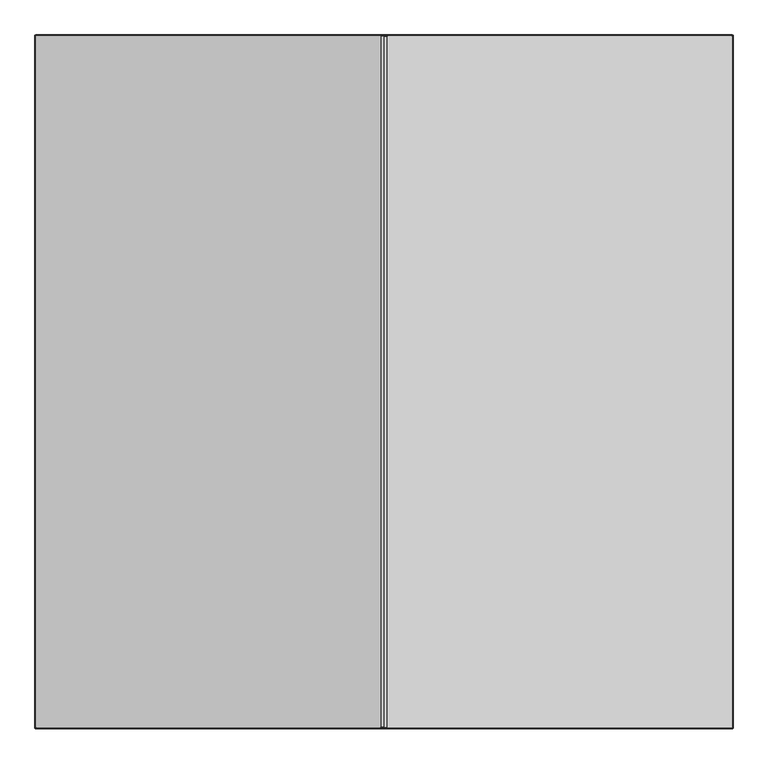
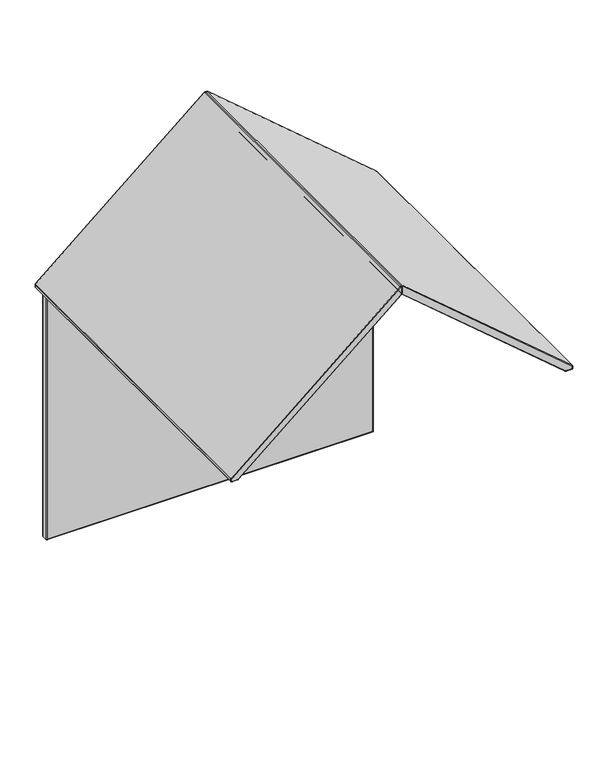
"""IFC4 building model written with IfcOpenShell, lengths in millimetres: furniture geometry."""

from ifc_helpers import new_model, si_unit, point, frame, origin, place, context, project, spatial, circle_curve, ellipse_curve, trimmed, source, transform, mapped, element, save
from ifc_brep_helpers import plane_surface, cylinder_surface, revolved_surface, advanced_brep


def furniture_6ab0fd73(model_context):
    return source(origin(), model_context, "Body", "AdvancedBrep", [
        advanced_brep(
        [(1876.9546715, -2.2152498, 1478.4500314), (1877.9745516, -2.2152498, 1476.2476814), (1877.9745516, -2.2152498, 1463.9687321), (1876.0316254, -2.2152498, 1462.0258058), (1842.2267924, -2.2152498, 1462.0258058), (1839.6136683, -2.2152498, 1462.9847503), (943.2808232, -2.2152498, 2223.2240894), (942.026163, -2.2152498, 2225.9334278), (942.026163, -2.2152498, 2264.8850275), (947.0138488, -2.2152498, 2267.1947612), (1880.0003754, -4.2410736, 1476.2476814), (1878.2650479, -4.2410736, 1479.994983), (1878.2650479, -6.1839998, 1479.994983), (1880.0003754, -6.1839998, 1476.2476814), (1880.0003754, -1866.18391, 1476.2476814), (1880.0003754, -1868.1268362, 1476.2476814), (1880.0003754, -1868.1268362, 1463.9687321), (1880.0003754, -1866.18391, 1463.9687321), (1880.0003754, -6.1839998, 1463.9687321), (1880.0003754, -4.2410736, 1463.9687321), (1876.0316254, -6.1839998, 1459.9999821), (1876.0316254, -4.2410736, 1459.9999821), (1876.0316254, -1866.18391, 1459.9999821), (1876.0316254, -1868.1268362, 1459.9999821), (1842.2267924, -1868.1268362, 1459.9999821), (1842.2267924, -1866.18391, 1459.9999821), (1842.2267924, -6.1839998, 1459.9999821), (1842.2267924, -4.2410736, 1459.9999821), (1838.3032921, -6.1839998, 1461.4397984), (1838.3032921, -4.2410736, 1461.4397984), (1838.3032921, -1866.18391, 1461.4397984), (1838.3032921, -1868.1268362, 1461.4397984), (941.970447, -1868.1268362, 2221.6791375), (941.970447, -1866.18391, 2221.6791375), (941.970447, -6.1839998, 2221.6791375), (941.970447, -4.2410736, 2221.6791375), (940.0003392, -6.1839998, 2225.9334278), (940.0003392, -4.2410736, 2225.9334278), (940.0003392, -1866.18391, 2225.9334278), (940.0003392, -1868.1268362, 2225.9334278), (940.0003392, -1868.1268362, 2264.8850275), (940.0003392, -1866.18391, 2264.8850275), (940.0003392, -6.1839998, 2264.8850275), (940.0003392, -4.2410736, 2264.8850275), (948.3242252, -6.1839998, 2268.7397128), (948.3242252, -4.2410736, 2268.7397128), (948.3242252, -1866.18391, 2268.7397128), (948.3242252, -1868.1268362, 2268.7397128), (1878.2650479, -1868.1268362, 1479.994983), (1878.2650479, -1866.18391, 1479.994983), (1876.9546715, -1870.15266, 1478.4500314), (1877.9745516, -1870.15266, 1476.2476814), (1877.9745516, -1870.15266, 1463.9687321), (1876.0316254, -1870.15266, 1462.0258058), (1842.2267924, -1870.15266, 1462.0258058), (1839.6136683, -1870.15266, 1462.9847503), (943.2808232, -1870.15266, 2223.2240894), (942.026163, -1870.15266, 2225.9334278), (942.026163, -1870.15266, 2264.8850275), (947.0138488, -1870.15266, 2267.1947612)],
        [
            (0, 1, circle_curve(frame((1875.0867119, -2.2152498, 1476.2476814), z_axis=(0.0, 1.0, 0.0), x_axis=(0.6468363156287517, 0.0, 0.7626288617563736)), 2.8878397)),
            (1, 2),
            (2, 3, circle_curve(frame((1876.0316254, -2.2152498, 1463.9687321), z_axis=(0.0, 1.0, 0.0), x_axis=(1.0, 0.0, 0.0)), 1.9429262)),
            (3, 4),
            (4, 5, circle_curve(frame((1842.2267924, -2.2152498, 1466.0656603), z_axis=(0.0, 1.0, 0.0), x_axis=(0.0, 0.0, -1.0)), 4.0398545)),
            (5, 6),
            (6, 7, circle_curve(frame((945.5787928, -2.2152498, 2225.9334278), z_axis=(0.0, 1.0, 0.0), x_axis=(-0.6468362032030742, 0.0, -0.762628957112062)), 3.5526298)),
            (7, 8),
            (8, 9, circle_curve(frame((945.05481, -2.2152498, 2264.8850275), z_axis=(0.0, 1.0, 0.0), x_axis=(-1.0, 0.0, 0.0)), 3.028647)),
            (9, 0),
            (10, 11, circle_curve(frame((1875.0867119, -4.2410736, 1476.2476814), z_axis=(0.0, -1.0, 0.0), x_axis=(0.6468363156287517, 0.0, 0.7626288617563736)), 4.9136635)),
            (11, 12),
            (12, 13, circle_curve(frame((1875.0867119, -6.1839998, 1476.2476814), z_axis=(0.0, 1.0, 0.0), x_axis=(0.6468363156287517, 0.0, 0.7626288617563736)), 4.9136635)),
            (13, 10),
            (10, 1, circle_curve(frame((1877.9745516, -4.2410736, 1476.2476814), z_axis=(0.0, 0.0, 1.0), x_axis=(-1.0, 0.0, 0.0)), 2.0258238)),
            (0, 11, circle_curve(frame((1876.9546715, -4.2410736, 1478.4500314), z_axis=(0.7626288617563735, 0.0, -0.6468363156287518), x_axis=(-0.6468363156287518, 0.0, -0.7626288617563735)), 2.0258238)),
            (13, 14),
            (14, 15),
            (15, 16),
            (16, 17),
            (17, 18),
            (18, 19),
            (19, 10),
            (19, 2, circle_curve(frame((1877.9745516, -4.2410736, 1463.9687321), z_axis=(0.0, 0.0, 1.0), x_axis=(-1.0, 0.0, 0.0)), 2.0258238)),
            (18, 20, circle_curve(frame((1876.0316254, -6.1839998, 1463.9687321), z_axis=(0.0, 1.0, 0.0), x_axis=(1.0, 0.0, 0.0)), 3.96875)),
            (20, 21),
            (21, 19, circle_curve(frame((1876.0316254, -4.2410736, 1463.9687321), z_axis=(0.0, -1.0, 0.0), x_axis=(1.0, 0.0, 0.0)), 3.96875)),
            (21, 3, circle_curve(frame((1876.0316254, -4.2410736, 1462.0258058), z_axis=(1.0, 0.0, 0.0), x_axis=(0.0, 0.0, 1.0)), 2.0258238)),
            (20, 22),
            (22, 23),
            (23, 24),
            (24, 25),
            (25, 26),
            (26, 27),
            (27, 21),
            (27, 4, circle_curve(frame((1842.2267924, -4.2410736, 1462.0258058), z_axis=(1.0, 0.0, 0.0), x_axis=(0.0, 0.0, 1.0)), 2.0258238)),
            (26, 28, circle_curve(frame((1842.2267924, -6.1839998, 1466.0656603), z_axis=(0.0, 1.0, 0.0), x_axis=(0.0, 0.0, -1.0)), 6.0656783)),
            (28, 29),
            (29, 27, circle_curve(frame((1842.2267924, -4.2410736, 1466.0656603), z_axis=(0.0, -1.0, 0.0), x_axis=(0.0, 0.0, -1.0)), 6.0656783)),
            (29, 5, circle_curve(frame((1839.6136683, -4.2410736, 1462.9847503), z_axis=(0.7626289571120105, 0.0, -0.6468362032031348), x_axis=(0.6468362032031348, 0.0, 0.7626289571120105)), 2.0258238)),
            (28, 30),
            (30, 31),
            (31, 32),
            (32, 33),
            (33, 34),
            (34, 35),
            (35, 29),
            (35, 6, circle_curve(frame((943.2808232, -4.2410736, 2223.2240894), z_axis=(0.7626289571120237, 0.0, -0.6468362032031195), x_axis=(0.6468362032031195, 0.0, 0.7626289571120237)), 2.0258238)),
            (34, 36, circle_curve(frame((945.5787928, -6.1839998, 2225.9334278), z_axis=(0.0, 1.0, 0.0), x_axis=(-0.6468362032030742, 0.0, -0.762628957112062)), 5.5784536)),
            (36, 37),
            (37, 35, circle_curve(frame((945.5787928, -4.2410736, 2225.9334278), z_axis=(0.0, -1.0, 0.0), x_axis=(-0.6468362032030742, 0.0, -0.762628957112062)), 5.5784536)),
            (37, 7, circle_curve(frame((942.026163, -4.2410736, 2225.9334278), z_axis=(0.0, 0.0, -1.0), x_axis=(1.0, 0.0, 0.0)), 2.0258238)),
            (36, 38),
            (38, 39),
            (39, 40),
            (40, 41),
            (41, 42),
            (42, 43),
            (43, 37),
            (43, 8, circle_curve(frame((942.026163, -4.2410736, 2264.8850275), z_axis=(0.0, 0.0, -1.0), x_axis=(1.0, 0.0, 0.0)), 2.0258238)),
            (42, 44, circle_curve(frame((945.05481, -6.1839998, 2264.8850275), z_axis=(0.0, 1.0, 0.0), x_axis=(-1.0, 0.0, 0.0)), 5.0544708)),
            (44, 45),
            (45, 43, circle_curve(frame((945.05481, -4.2410736, 2264.8850275), z_axis=(0.0, -1.0, 0.0), x_axis=(-1.0, 0.0, 0.0)), 5.0544708)),
            (45, 9, circle_curve(frame((947.0138488, -4.2410736, 2267.1947612), z_axis=(-0.762628861756393, 0.0, 0.6468363156287287), x_axis=(-0.6468363156287287, 0.0, -0.762628861756393)), 2.0258238)),
            (11, 45),
            (44, 46),
            (46, 47),
            (47, 48),
            (48, 49),
            (49, 12),
            (17, 22, circle_curve(frame((1876.0316254, -1866.18391, 1463.9687321), z_axis=(0.0, 1.0, 0.0), x_axis=(-1.0, 0.0, 0.0)), 3.96875)),
            (25, 30, circle_curve(frame((1842.2267924, -1866.18391, 1466.0656603), z_axis=(0.0, 1.0, 0.0), x_axis=(-1.0, 0.0, 0.0)), 6.0656783)),
            (33, 38, circle_curve(frame((945.5787928, -1866.18391, 2225.9334278), z_axis=(0.0, 1.0, 0.0), x_axis=(-1.0, 0.0, 0.0)), 5.5784536)),
            (41, 46, circle_curve(frame((945.05481, -1866.18391, 2264.8850275), z_axis=(0.0, 1.0, 0.0), x_axis=(-1.0, 0.0, 0.0)), 5.0544708)),
            (49, 14, circle_curve(frame((1875.0867119, -1866.18391, 1476.2476814), z_axis=(0.0, 1.0, 0.0), x_axis=(-1.0, 0.0, 0.0)), 4.9136635)),
            (48, 15, circle_curve(frame((1875.0867119, -1868.1268362, 1476.2476814), z_axis=(0.0, 1.0, 0.0), x_axis=(0.6468363156287517, 0.0, 0.7626288617563736)), 4.9136635)),
            (48, 50, circle_curve(frame((1876.9546715, -1868.1268362, 1478.4500314), z_axis=(0.7626288617563735, 0.0, -0.6468363156287518), x_axis=(-0.6468363156287518, 0.0, -0.7626288617563735)), 2.0258238)),
            (50, 51, circle_curve(frame((1875.0867119, -1870.15266, 1476.2476814), z_axis=(0.0, 1.0, 0.0), x_axis=(0.6468363156287517, 0.0, 0.7626288617563736)), 2.8878397)),
            (51, 15, circle_curve(frame((1877.9745516, -1868.1268362, 1476.2476814), z_axis=(0.0, 0.0, 1.0), x_axis=(-1.0, 0.0, 0.0)), 2.0258238)),
            (51, 52),
            (52, 16, circle_curve(frame((1877.9745516, -1868.1268362, 1463.9687321), z_axis=(0.0, 0.0, 1.0), x_axis=(-1.0, 0.0, 0.0)), 2.0258238)),
            (16, 23, circle_curve(frame((1876.0316254, -1868.1268362, 1463.9687321), z_axis=(0.0, 1.0, 0.0), x_axis=(1.0, 0.0, 0.0)), 3.96875)),
            (52, 53, circle_curve(frame((1876.0316254, -1870.15266, 1463.9687321), z_axis=(0.0, 1.0, 0.0), x_axis=(1.0, 0.0, 0.0)), 1.9429262)),
            (53, 23, circle_curve(frame((1876.0316254, -1868.1268362, 1462.0258058), z_axis=(1.0, 0.0, 0.0), x_axis=(0.0, 0.0, 1.0)), 2.0258238)),
            (53, 54),
            (54, 24, circle_curve(frame((1842.2267924, -1868.1268362, 1462.0258058), z_axis=(1.0, 0.0, 0.0), x_axis=(0.0, 0.0, 1.0)), 2.0258238)),
            (24, 31, circle_curve(frame((1842.2267924, -1868.1268362, 1466.0656603), z_axis=(0.0, 1.0, 0.0), x_axis=(0.0, 0.0, -1.0)), 6.0656783)),
            (54, 55, circle_curve(frame((1842.2267924, -1870.15266, 1466.0656603), z_axis=(0.0, 1.0, 0.0), x_axis=(0.0, 0.0, -1.0)), 4.0398545)),
            (55, 31, circle_curve(frame((1839.6136683, -1868.1268362, 1462.9847503), z_axis=(0.7626289571119792, 0.0, -0.6468362032031717), x_axis=(0.6468362032031717, 0.0, 0.7626289571119792)), 2.0258238)),
            (55, 56),
            (56, 32, circle_curve(frame((943.2808232, -1868.1268362, 2223.2240894), z_axis=(0.7626289571120237, 0.0, -0.6468362032031195), x_axis=(0.6468362032031195, 0.0, 0.7626289571120237)), 2.0258238)),
            (32, 39, circle_curve(frame((945.5787928, -1868.1268362, 2225.9334278), z_axis=(0.0, 1.0, 0.0), x_axis=(-0.6468362032030742, 0.0, -0.762628957112062)), 5.5784536)),
            (56, 57, circle_curve(frame((945.5787928, -1870.15266, 2225.9334278), z_axis=(0.0, 1.0, 0.0), x_axis=(-0.6468362032030742, 0.0, -0.762628957112062)), 3.5526298)),
            (57, 39, circle_curve(frame((942.026163, -1868.1268362, 2225.9334278), z_axis=(0.0, 0.0, -1.0), x_axis=(1.0, 0.0, 0.0)), 2.0258238)),
            (57, 58),
            (58, 40, circle_curve(frame((942.026163, -1868.1268362, 2264.8850275), z_axis=(0.0, 0.0, -1.0), x_axis=(1.0, 0.0, 0.0)), 2.0258238)),
            (40, 47, circle_curve(frame((945.05481, -1868.1268362, 2264.8850275), z_axis=(0.0, 1.0, 0.0), x_axis=(-1.0, 0.0, 0.0)), 5.0544708)),
            (58, 59, circle_curve(frame((945.05481, -1870.15266, 2264.8850275), z_axis=(0.0, 1.0, 0.0), x_axis=(-1.0, 0.0, 0.0)), 3.028647)),
            (59, 47, circle_curve(frame((947.0138488, -1868.1268362, 2267.1947612), z_axis=(-0.762628861756381, 0.0, 0.6468363156287429), x_axis=(-0.6468363156287429, 0.0, -0.762628861756381)), 2.0258238)),
            (59, 50),
        ],
        [
            plane_surface(frame((944.152703, -2.2152498, 2224.2520479), z_axis=(0.0, 1.0, 0.0), x_axis=(-0.7626289571120299, 0.0, 0.6468362032031121))),
            cylinder_surface(frame((1875.0867119, -6.1839998, 1476.2476814), z_axis=(0.0, 1.0, 0.0), x_axis=(0.6468363156287517, 0.0, 0.7626288617563736)), 4.9136635),
            revolved_surface(trimmed(ellipse_curve(frame((1876.9546715, -4.2410736, 1478.4500314), z_axis=(-0.7626288617563735, 0.0, 0.6468363156287518), x_axis=(-0.6468363156287518, 0.0, -0.7626288617563735)), 2.0258238, 2.0258238), [point((1878.2650479, -4.2410736, 1479.994983))], [point((1876.9546715, -2.2152498, 1478.4500314))], True, "CARTESIAN"), (1875.0867119, -6.1839998, 1476.2476814), (0.0, 1.0, 0.0)),
            plane_surface(frame((1880.0003754, -6.1839998, 1476.2476814), z_axis=(1.0, 0.0, 0.0), x_axis=(0.0, 0.0, -1.0))),
            cylinder_surface(frame((1877.9745516, -4.2410736, 1476.2476814), z_axis=(0.0, 0.0, 1.0), x_axis=(-1.0, 0.0, 0.0)), 2.0258238),
            cylinder_surface(frame((1876.0316254, -6.1839998, 1463.9687321), z_axis=(0.0, 1.0, 0.0), x_axis=(1.0, 0.0, 0.0)), 3.96875),
            revolved_surface(trimmed(ellipse_curve(frame((1877.9745516, -4.2410736, 1463.9687321), z_axis=(0.0, 0.0, 1.0), x_axis=(-1.0, 0.0, 0.0)), 2.0258238, 2.0258238), [point((1880.0003754, -4.2410736, 1463.9687321))], [point((1877.9745516, -2.2152498, 1463.9687321))], True, "CARTESIAN"), (1876.0316254, -6.1839998, 1463.9687321), (0.0, 1.0, 0.0)),
            plane_surface(frame((1876.0316254, -6.1839998, 1459.9999821), z_axis=(0.0, 0.0, -1.0), x_axis=(-1.0, 0.0, 0.0))),
            cylinder_surface(frame((1876.0316254, -4.2410736, 1462.0258058), z_axis=(1.0, 0.0, 0.0), x_axis=(0.0, 0.0, 1.0)), 2.0258238),
            cylinder_surface(frame((1842.2267924, -6.1839998, 1466.0656603), z_axis=(0.0, 1.0, 0.0), x_axis=(0.0, 0.0, -1.0)), 6.0656783),
            revolved_surface(trimmed(ellipse_curve(frame((1842.2267924, -4.2410736, 1462.0258058), z_axis=(1.0, 0.0, 0.0), x_axis=(0.0, 0.0, 1.0)), 2.0258238, 2.0258238), [point((1842.2267924, -4.2410736, 1459.9999821))], [point((1842.2267924, -2.2152498, 1462.0258058))], True, "CARTESIAN"), (1842.2267924, -6.1839998, 1466.0656603), (0.0, 1.0, 0.0)),
            plane_surface(frame((1838.3032921, -6.1839998, 1461.4397984), z_axis=(-0.6468362032031193, 0.0, -0.7626289571120237), x_axis=(-0.7626289571120237, 0.0, 0.6468362032031193))),
            cylinder_surface(frame((1839.6136683, -4.2410736, 1462.9847503), z_axis=(0.7626289571120237, 0.0, -0.6468362032031195), x_axis=(0.6468362032031195, 0.0, 0.7626289571120237)), 2.0258238),
            cylinder_surface(frame((945.5787928, -6.1839998, 2225.9334278), z_axis=(0.0, 1.0, 0.0), x_axis=(-0.6468362032030742, 0.0, -0.762628957112062)), 5.5784536),
            revolved_surface(trimmed(ellipse_curve(frame((943.2808232, -4.2410736, 2223.2240894), z_axis=(0.7626289571120619, 0.0, -0.6468362032030743), x_axis=(0.6468362032030743, 0.0, 0.7626289571120619)), 2.0258238, 2.0258238), [point((941.970447, -4.2410736, 2221.6791375))], [point((943.2808232, -2.2152498, 2223.2240894))], True, "CARTESIAN"), (945.5787928, -6.1839998, 2225.9334278), (0.0, 1.0, 0.0)),
            plane_surface(frame((940.0003392, -6.1839998, 2225.9334278), z_axis=(-1.0, 0.0, 0.0), x_axis=(0.0, 0.0, 1.0))),
            cylinder_surface(frame((942.026163, -4.2410736, 2225.9334278), z_axis=(0.0, 0.0, -1.0), x_axis=(1.0, 0.0, 0.0)), 2.0258238),
            cylinder_surface(frame((945.05481, -6.1839998, 2264.8850275), z_axis=(0.0, 1.0, 0.0), x_axis=(-1.0, 0.0, 0.0)), 5.0544708),
            revolved_surface(trimmed(ellipse_curve(frame((942.026163, -4.2410736, 2264.8850275), z_axis=(0.0, 0.0, -1.0), x_axis=(1.0, 0.0, 0.0)), 2.0258238, 2.0258238), [point((940.0003392, -4.2410736, 2264.8850275))], [point((942.026163, -2.2152498, 2264.8850275))], True, "CARTESIAN"), (945.05481, -6.1839998, 2264.8850275), (0.0, 1.0, 0.0)),
            plane_surface(frame((948.3242252, -6.1839998, 2268.7397128), z_axis=(0.6468363156287368, 0.0, 0.7626288617563862), x_axis=(0.7626288617563862, 0.0, -0.6468363156287368))),
            cylinder_surface(frame((947.0138488, -4.2410736, 2267.1947612), z_axis=(-0.762628861756386, 0.0, 0.646836315628737), x_axis=(-0.646836315628737, 0.0, -0.762628861756386)), 2.0258238),
            cylinder_surface(frame((1876.0316254, -6.1839998, 1463.9687321), z_axis=(0.0, -1.0, 0.0), x_axis=(-1.0, 0.0, 0.0)), 3.96875),
            cylinder_surface(frame((1842.2267924, -6.1839998, 1466.0656603), z_axis=(0.0, -1.0, 0.0), x_axis=(-1.0, 0.0, 0.0)), 6.0656783),
            cylinder_surface(frame((945.5787928, -6.1839998, 2225.9334278), z_axis=(0.0, -1.0, 0.0), x_axis=(-1.0, 0.0, 0.0)), 5.5784536),
            cylinder_surface(frame((945.05481, -6.1839998, 2264.8850275), z_axis=(0.0, -1.0, 0.0), x_axis=(-1.0, 0.0, 0.0)), 5.0544708),
            cylinder_surface(frame((1875.0867119, -6.1839998, 1476.2476814), z_axis=(0.0, -1.0, 0.0), x_axis=(-1.0, 0.0, 0.0)), 4.9136635),
            cylinder_surface(frame((1875.0867119, -1866.18391, 1476.2476814), z_axis=(0.0, 1.0, 0.0), x_axis=(0.6468363156287517, 0.0, 0.7626288617563736)), 4.9136635),
            revolved_surface(trimmed(ellipse_curve(frame((1876.9546715, -1868.1268362, 1478.4500314), z_axis=(-0.7626288617563735, 0.0, 0.6468363156287518), x_axis=(-0.6468363156287518, 0.0, -0.7626288617563735)), 2.0258238, 2.0258238), [point((1876.9546715, -1870.15266, 1478.4500314))], [point((1878.2650479, -1868.1268362, 1479.994983))], True, "CARTESIAN"), (1875.0867119, -1866.18391, 1476.2476814), (0.0, 1.0, 0.0)),
            cylinder_surface(frame((1877.9745516, -1868.1268362, 1476.2476814), z_axis=(0.0, 0.0, 1.0), x_axis=(-1.0, 0.0, 0.0)), 2.0258238),
            cylinder_surface(frame((1876.0316254, -1866.18391, 1463.9687321), z_axis=(0.0, 1.0, 0.0), x_axis=(1.0, 0.0, 0.0)), 3.96875),
            revolved_surface(trimmed(ellipse_curve(frame((1877.9745516, -1868.1268362, 1463.9687321), z_axis=(0.0, 0.0, 1.0), x_axis=(-1.0, 0.0, 0.0)), 2.0258238, 2.0258238), [point((1877.9745516, -1870.15266, 1463.9687321))], [point((1880.0003754, -1868.1268362, 1463.9687321))], True, "CARTESIAN"), (1876.0316254, -1866.18391, 1463.9687321), (0.0, 1.0, 0.0)),
            cylinder_surface(frame((1876.0316254, -1868.1268362, 1462.0258058), z_axis=(1.0, 0.0, 0.0), x_axis=(0.0, 0.0, 1.0)), 2.0258238),
            cylinder_surface(frame((1842.2267924, -1866.18391, 1466.0656603), z_axis=(0.0, 1.0, 0.0), x_axis=(0.0, 0.0, -1.0)), 6.0656783),
            revolved_surface(trimmed(ellipse_curve(frame((1842.2267924, -1868.1268362, 1462.0258058), z_axis=(1.0, 0.0, 0.0), x_axis=(0.0, 0.0, 1.0)), 2.0258238, 2.0258238), [point((1842.2267924, -1870.15266, 1462.0258058))], [point((1842.2267924, -1868.1268362, 1459.9999821))], True, "CARTESIAN"), (1842.2267924, -1866.18391, 1466.0656603), (0.0, 1.0, 0.0)),
            cylinder_surface(frame((1839.6136683, -1868.1268362, 1462.9847503), z_axis=(0.7626289571120237, 0.0, -0.6468362032031195), x_axis=(0.6468362032031195, 0.0, 0.7626289571120237)), 2.0258238),
            cylinder_surface(frame((945.5787928, -1866.18391, 2225.9334278), z_axis=(0.0, 1.0, 0.0), x_axis=(-0.6468362032030742, 0.0, -0.762628957112062)), 5.5784536),
            revolved_surface(trimmed(ellipse_curve(frame((943.2808232, -1868.1268362, 2223.2240894), z_axis=(0.7626289571120619, 0.0, -0.6468362032030743), x_axis=(0.6468362032030743, 0.0, 0.7626289571120619)), 2.0258238, 2.0258238), [point((943.2808232, -1870.15266, 2223.2240894))], [point((941.970447, -1868.1268362, 2221.6791375))], True, "CARTESIAN"), (945.5787928, -1866.18391, 2225.9334278), (0.0, 1.0, 0.0)),
            cylinder_surface(frame((942.026163, -1868.1268362, 2225.9334278), z_axis=(0.0, 0.0, -1.0), x_axis=(1.0, 0.0, 0.0)), 2.0258238),
            cylinder_surface(frame((945.05481, -1866.18391, 2264.8850275), z_axis=(0.0, 1.0, 0.0), x_axis=(-1.0, 0.0, 0.0)), 5.0544708),
            revolved_surface(trimmed(ellipse_curve(frame((942.026163, -1868.1268362, 2264.8850275), z_axis=(0.0, 0.0, -1.0), x_axis=(1.0, 0.0, 0.0)), 2.0258238, 2.0258238), [point((942.026163, -1870.15266, 2264.8850275))], [point((940.0003392, -1868.1268362, 2264.8850275))], True, "CARTESIAN"), (945.05481, -1866.18391, 2264.8850275), (0.0, 1.0, 0.0)),
            cylinder_surface(frame((947.0138488, -1868.1268362, 2267.1947612), z_axis=(-0.762628861756386, 0.0, 0.646836315628737), x_axis=(-0.646836315628737, 0.0, -0.762628861756386)), 2.0258238),
            plane_surface(frame((946.1419689, -1870.15266, 2266.1668028), z_axis=(0.0, -1.0, 0.0), x_axis=(0.7626288617563862, 0.0, -0.6468363156287368))),
        ],
        [
            (0, [[1, 2, 3, 4, 5, 6, 7, 8, 9, 10]]),
            (1, [[11, 12, 13, 14]]),
            (2, [[-11, 15, -1, 16]]),
            (3, [[-14, 17, 18, 19, 20, 21, 22, 23]]),
            (4, [[-15, -23, 24, -2]]),
            (5, [[-22, 25, 26, 27]]),
            (6, [[-24, -27, 28, -3]]),
            (7, [[-26, 29, 30, 31, 32, 33, 34, 35]]),
            (8, [[-28, -35, 36, -4]]),
            (9, [[-34, 37, 38, 39]]),
            (10, [[-36, -39, 40, -5]]),
            (11, [[-38, 41, 42, 43, 44, 45, 46, 47]]),
            (12, [[-40, -47, 48, -6]]),
            (13, [[-46, 49, 50, 51]]),
            (14, [[-48, -51, 52, -7]]),
            (15, [[-50, 53, 54, 55, 56, 57, 58, 59]]),
            (16, [[-52, -59, 60, -8]]),
            (17, [[-58, 61, 62, 63]]),
            (18, [[-60, -63, 64, -9]]),
            (19, [[-12, 65, -62, 66, 67, 68, 69, 70]]),
            (20, [[-16, -10, -64, -65]]),
            (21, [[-29, -25, -21, 71]]),
            (22, [[-33, 72, -41, -37]]),
            (23, [[-45, 73, -53, -49]]),
            (24, [[-57, 74, -66, -61]]),
            (25, [[-70, 75, -17, -13]]),
            (26, [[-69, 76, -18, -75]]),
            (27, [[-76, 77, 78, 79]]),
            (28, [[-79, 80, 81, -19]]),
            (29, [[-20, 82, -30, -71]]),
            (30, [[-81, 83, 84, -82]]),
            (31, [[-84, 85, 86, -31]]),
            (32, [[-32, 87, -42, -72]]),
            (33, [[-86, 88, 89, -87]]),
            (34, [[-89, 90, 91, -43]]),
            (35, [[-44, 92, -54, -73]]),
            (36, [[-91, 93, 94, -92]]),
            (37, [[-94, 95, 96, -55]]),
            (38, [[-56, 97, -67, -74]]),
            (39, [[-96, 98, 99, -97]]),
            (40, [[-77, -68, -99, 100]]),
            (41, [[-78, -100, -98, -95, -93, -90, -88, -85, -83, -80]]),
        ],
    ),
        advanced_brep(
        [(0.0, -1868.1268362, 1476.2476814), (1.7353275, -1868.1268362, 1479.994983), (1.7353275, -1866.18391, 1479.994983), (0.0, -1866.18391, 1476.2476814), (2.0258238, -1870.15266, 1476.2476814), (3.0457039, -1870.15266, 1478.4500314), (0.0, -6.1839998, 1476.2476814), (0.0, -4.2410736, 1476.2476814), (0.0, -4.2410736, 1463.9687321), (0.0, -6.1839998, 1463.9687321), (0.0, -1866.18391, 1463.9687321), (0.0, -1868.1268362, 1463.9687321), (2.0258238, -1870.15266, 1463.9687321), (3.96875, -1866.18391, 1459.9999821), (3.96875, -1868.1268362, 1459.9999821), (3.96875, -1870.15266, 1462.0258058), (3.96875, -6.1839998, 1459.9999821), (3.96875, -4.2410736, 1459.9999821), (37.773583, -4.2410736, 1459.9999821), (37.773583, -6.1839998, 1459.9999821), (37.773583, -1866.18391, 1459.9999821), (37.773583, -1868.1268362, 1459.9999821), (37.773583, -1870.15266, 1462.0258058), (41.6970833, -1866.18391, 1461.4397984), (41.6970833, -1868.1268362, 1461.4397984), (40.3867071, -1870.15266, 1462.9847503), (41.6970833, -6.1839998, 1461.4397984), (41.6970833, -4.2410736, 1461.4397984), (938.0299284, -4.2410736, 2221.6791375), (938.0299284, -6.1839998, 2221.6791375), (938.0299284, -1866.18391, 2221.6791375), (938.0299284, -1868.1268362, 2221.6791375), (936.7195522, -1870.15266, 2223.2240894), (940.0000362, -1866.18391, 2225.9334278), (940.0000362, -1868.1268362, 2225.9334278), (937.9742125, -1870.15266, 2225.9334278), (940.0000362, -6.1839998, 2225.9334278), (940.0000362, -4.2410736, 2225.9334278), (940.0000362, -4.2410736, 2264.8850275), (940.0000362, -6.1839998, 2264.8850275), (940.0000362, -1866.18391, 2264.8850275), (940.0000362, -1868.1268362, 2264.8850275), (937.9742125, -1870.15266, 2264.8850275), (931.6761502, -1866.18391, 2268.7397128), (931.6761502, -1868.1268362, 2268.7397128), (932.9865266, -1870.15266, 2267.1947612), (931.6761502, -6.1839998, 2268.7397128), (931.6761502, -4.2410736, 2268.7397128), (1.7353275, -4.2410736, 1479.994983), (1.7353275, -6.1839998, 1479.994983), (2.0258238, -2.2152498, 1476.2476814), (3.0457039, -2.2152498, 1478.4500314), (932.9865266, -2.2152498, 2267.1947612), (937.9742125, -2.2152498, 2264.8850275), (937.9742125, -2.2152498, 2225.9334278), (936.7195522, -2.2152498, 2223.2240894), (40.3867071, -2.2152498, 1462.9847503), (37.773583, -2.2152498, 1462.0258058), (3.96875, -2.2152498, 1462.0258058), (2.0258238, -2.2152498, 1463.9687321)],
        [
            (0, 1, circle_curve(frame((4.9136635, -1868.1268362, 1476.2476814), z_axis=(0.0, 1.0, 0.0), x_axis=(-0.6468363156287652, 0.0, 0.7626288617563621)), 4.9136635)),
            (1, 2),
            (2, 3, circle_curve(frame((4.9136635, -1866.18391, 1476.2476814), z_axis=(0.0, -1.0, 0.0), x_axis=(-0.6468363156287652, 0.0, 0.7626288617563621)), 4.9136635)),
            (3, 0),
            (0, 4, circle_curve(frame((2.0258238, -1868.1268362, 1476.2476814), z_axis=(0.0, 0.0, 1.0), x_axis=(1.0, 0.0, 0.0)), 2.0258238)),
            (4, 5, circle_curve(frame((4.9136635, -1870.15266, 1476.2476814), z_axis=(0.0, 1.0, 0.0), x_axis=(-0.6468363156287652, 0.0, 0.7626288617563621)), 2.8878397)),
            (5, 1, circle_curve(frame((3.0457039, -1868.1268362, 1478.4500314), z_axis=(-0.762628861756362, 0.0, -0.6468363156287653), x_axis=(0.6468363156287653, 0.0, -0.762628861756362)), 2.0258238)),
            (3, 6),
            (6, 7),
            (7, 8),
            (8, 9),
            (9, 10),
            (10, 11),
            (11, 0),
            (11, 12, circle_curve(frame((2.0258238, -1868.1268362, 1463.9687321), z_axis=(0.0, 0.0, 1.0), x_axis=(1.0, 0.0, 0.0)), 2.0258238)),
            (12, 4),
            (10, 13, circle_curve(frame((3.96875, -1866.18391, 1463.9687321), z_axis=(0.0, -1.0, 0.0), x_axis=(-1.0, 0.0, 0.0)), 3.96875)),
            (13, 14),
            (14, 11, circle_curve(frame((3.96875, -1868.1268362, 1463.9687321), z_axis=(0.0, 1.0, 0.0), x_axis=(-1.0, 0.0, 0.0)), 3.96875)),
            (14, 15, circle_curve(frame((3.96875, -1868.1268362, 1462.0258058), z_axis=(-1.0, 0.0, 0.0), x_axis=(0.0, 0.0, 1.0)), 2.0258238)),
            (15, 12, circle_curve(frame((3.96875, -1870.15266, 1463.9687321), z_axis=(0.0, 1.0, 0.0), x_axis=(-1.0, 0.0, 0.0)), 1.9429262)),
            (13, 16),
            (16, 17),
            (17, 18),
            (18, 19),
            (19, 20),
            (20, 21),
            (21, 14),
            (21, 22, circle_curve(frame((37.773583, -1868.1268362, 1462.0258058), z_axis=(-1.0, 0.0, 0.0), x_axis=(0.0, 0.0, 1.0)), 2.0258238)),
            (22, 15),
            (20, 23, circle_curve(frame((37.773583, -1866.18391, 1466.0656603), z_axis=(0.0, -1.0, 0.0), x_axis=(0.0, 0.0, -1.0)), 6.0656783)),
            (23, 24),
            (24, 21, circle_curve(frame((37.773583, -1868.1268362, 1466.0656603), z_axis=(0.0, 1.0, 0.0), x_axis=(0.0, 0.0, -1.0)), 6.0656783)),
            (24, 25, circle_curve(frame((40.3867071, -1868.1268362, 1462.9847503), z_axis=(-0.7626289571119993, 0.0, -0.646836203203148), x_axis=(-0.646836203203148, 0.0, 0.7626289571119993)), 2.0258238)),
            (25, 22, circle_curve(frame((37.773583, -1870.15266, 1466.0656603), z_axis=(0.0, 1.0, 0.0), x_axis=(0.0, 0.0, -1.0)), 4.0398545)),
            (23, 26),
            (26, 27),
            (27, 28),
            (28, 29),
            (29, 30),
            (30, 31),
            (31, 24),
            (31, 32, circle_curve(frame((936.7195522, -1868.1268362, 2223.2240894), z_axis=(-0.7626289571120237, 0.0, -0.6468362032031196), x_axis=(-0.6468362032031195, 0.0, 0.7626289571120235)), 2.0258238)),
            (32, 25),
            (30, 33, circle_curve(frame((934.4215826, -1866.18391, 2225.9334278), z_axis=(0.0, -1.0, 0.0), x_axis=(0.6468362032031121, 0.0, -0.7626289571120298)), 5.5784536)),
            (33, 34),
            (34, 31, circle_curve(frame((934.4215826, -1868.1268362, 2225.9334278), z_axis=(0.0, 1.0, 0.0), x_axis=(0.6468362032031121, 0.0, -0.7626289571120298)), 5.5784536)),
            (34, 35, circle_curve(frame((937.9742125, -1868.1268362, 2225.9334278), z_axis=(0.0, 0.0, -0.9999999999999999), x_axis=(-0.9999999999999999, 0.0, 0.0)), 2.0258238)),
            (35, 32, circle_curve(frame((934.4215826, -1870.15266, 2225.9334278), z_axis=(0.0, 1.0, 0.0), x_axis=(0.6468362032031121, 0.0, -0.7626289571120298)), 3.5526298)),
            (33, 36),
            (36, 37),
            (37, 38),
            (38, 39),
            (39, 40),
            (40, 41),
            (41, 34),
            (41, 42, circle_curve(frame((937.9742125, -1868.1268362, 2264.8850275), z_axis=(0.0, 0.0, -1.0), x_axis=(-1.0, 0.0, 0.0)), 2.0258238)),
            (42, 35),
            (40, 43, circle_curve(frame((934.9455655, -1866.18391, 2264.8850275), z_axis=(0.0, -1.0, 0.0), x_axis=(1.0, 0.0, 0.0)), 5.0544708)),
            (43, 44),
            (44, 41, circle_curve(frame((934.9455655, -1868.1268362, 2264.8850275), z_axis=(0.0, 1.0, 0.0), x_axis=(1.0, 0.0, 0.0)), 5.0544708)),
            (44, 45, circle_curve(frame((932.9865266, -1868.1268362, 2267.1947612), z_axis=(0.7626288617564152, 0.0, 0.6468363156287026), x_axis=(0.6468363156287026, 0.0, -0.7626288617564152)), 2.0258238)),
            (45, 42, circle_curve(frame((934.9455655, -1870.15266, 2264.8850275), z_axis=(0.0, 1.0, 0.0), x_axis=(1.0, 0.0, 0.0)), 3.028647)),
            (1, 44),
            (43, 46),
            (46, 47),
            (47, 48),
            (48, 49),
            (49, 2),
            (5, 45),
            (9, 16, circle_curve(frame((3.96875, -6.1839998, 1463.9687321), z_axis=(0.0, -1.0, 0.0), x_axis=(1.0, 0.0, 0.0)), 3.96875)),
            (19, 26, circle_curve(frame((37.773583, -6.1839998, 1466.0656603), z_axis=(0.0, -1.0, 0.0), x_axis=(1.0, 0.0, 0.0)), 6.0656783)),
            (29, 36, circle_curve(frame((934.4215826, -6.1839998, 2225.9334278), z_axis=(0.0, -1.0, 0.0), x_axis=(1.0, 0.0, 0.0)), 5.5784536)),
            (39, 46, circle_curve(frame((934.9455655, -6.1839998, 2264.8850275), z_axis=(0.0, -1.0, 0.0), x_axis=(1.0, 0.0, 0.0)), 5.0544708)),
            (49, 6, circle_curve(frame((4.9136635, -6.1839998, 1476.2476814), z_axis=(0.0, -1.0, 0.0), x_axis=(1.0, 0.0, 0.0)), 4.9136635)),
            (50, 51, circle_curve(frame((4.9136635, -2.2152498, 1476.2476814), z_axis=(0.0, 1.0, 0.0), x_axis=(-0.6468363156287614, 0.0, 0.7626288617563652)), 2.8878397)),
            (51, 52),
            (52, 53, circle_curve(frame((934.9455655, -2.2152498, 2264.8850275), z_axis=(0.0, 1.0, 0.0), x_axis=(1.0, 0.0, 0.0)), 3.028647)),
            (53, 54),
            (54, 55, circle_curve(frame((934.4215826, -2.2152498, 2225.9334278), z_axis=(0.0, 1.0, 0.0), x_axis=(0.6468362032031121, 0.0, -0.7626289571120298)), 3.5526298)),
            (55, 56),
            (56, 57, circle_curve(frame((37.773583, -2.2152498, 1466.0656603), z_axis=(0.0, 1.0, 0.0), x_axis=(0.0, 0.0, -1.0)), 4.0398545)),
            (57, 58),
            (58, 59, circle_curve(frame((3.96875, -2.2152498, 1463.9687321), z_axis=(0.0, 1.0, 0.0), x_axis=(-1.0, 0.0, 0.0)), 1.9429262)),
            (59, 50),
            (48, 7, circle_curve(frame((4.9136635, -4.2410736, 1476.2476814), z_axis=(0.0, -1.0, 0.0), x_axis=(-0.6468363156287614, 0.0, 0.7626288617563652)), 4.9136635)),
            (48, 51, circle_curve(frame((3.0457039, -4.2410736, 1478.4500314), z_axis=(-0.7626288617563652, 0.0, -0.6468363156287614), x_axis=(0.6468363156287614, 0.0, -0.7626288617563652)), 2.0258238)),
            (50, 7, circle_curve(frame((2.0258238, -4.2410736, 1476.2476814), z_axis=(0.0, 0.0, 1.0), x_axis=(1.0, 0.0, 0.0)), 2.0258238)),
            (59, 8, circle_curve(frame((2.0258238, -4.2410736, 1463.9687321), z_axis=(0.0, 0.0, 1.0), x_axis=(1.0, 0.0, 0.0)), 2.0258238)),
            (8, 17, circle_curve(frame((3.96875, -4.2410736, 1463.9687321), z_axis=(0.0, -1.0, 0.0), x_axis=(-1.0, 0.0, 0.0)), 3.96875)),
            (58, 17, circle_curve(frame((3.96875, -4.2410736, 1462.0258058), z_axis=(-1.0, 0.0, 0.0), x_axis=(0.0, 0.0, 1.0)), 2.0258238)),
            (57, 18, circle_curve(frame((37.773583, -4.2410736, 1462.0258058), z_axis=(-1.0, 0.0, 0.0), x_axis=(0.0, 0.0, 1.0)), 2.0258238)),
            (18, 27, circle_curve(frame((37.773583, -4.2410736, 1466.0656603), z_axis=(0.0, -1.0, 0.0), x_axis=(0.0, 0.0, -1.0)), 6.0656783)),
            (56, 27, circle_curve(frame((40.3867071, -4.2410736, 1462.9847503), z_axis=(-0.7626289571120222, 0.0, -0.6468362032031212), x_axis=(-0.6468362032031212, 0.0, 0.7626289571120222)), 2.0258238)),
            (55, 28, circle_curve(frame((936.7195522, -4.2410736, 2223.2240894), z_axis=(-0.7626289571120238, 0.0, -0.6468362032031193), x_axis=(-0.6468362032031193, 0.0, 0.7626289571120238)), 2.0258238)),
            (28, 37, circle_curve(frame((934.4215826, -4.2410736, 2225.9334278), z_axis=(0.0, -1.0, 0.0), x_axis=(0.6468362032031121, 0.0, -0.7626289571120298)), 5.5784536)),
            (54, 37, circle_curve(frame((937.9742125, -4.2410736, 2225.9334278), z_axis=(0.0, 0.0, -1.0), x_axis=(-1.0, 0.0, 0.0)), 2.0258238)),
            (53, 38, circle_curve(frame((937.9742125, -4.2410736, 2264.8850275), z_axis=(0.0, 0.0, -1.0), x_axis=(-1.0, 0.0, 0.0)), 2.0258238)),
            (38, 47, circle_curve(frame((934.9455655, -4.2410736, 2264.8850275), z_axis=(0.0, -1.0, 0.0), x_axis=(1.0, 0.0, 0.0)), 5.0544708)),
            (52, 47, circle_curve(frame((932.9865266, -4.2410736, 2267.1947612), z_axis=(0.7626288617564162, 0.0, 0.6468363156287013), x_axis=(0.6468363156287013, 0.0, -0.7626288617564162)), 2.0258238)),
        ],
        [
            cylinder_surface(frame((4.9136635, -1866.18391, 1476.2476814), z_axis=(0.0, -1.0, 0.0), x_axis=(-0.6468363156287652, 0.0, 0.7626288617563621)), 4.9136635),
            revolved_surface(trimmed(ellipse_curve(frame((3.0457039, -1868.1268362, 1478.4500314), z_axis=(0.762628861756362, 0.0, 0.6468363156287653), x_axis=(0.6468363156287653, 0.0, -0.762628861756362)), 2.0258238, 2.0258238), [point((1.7353275, -1868.1268362, 1479.994983))], [point((3.0457039, -1870.15266, 1478.4500314))], True, "CARTESIAN"), (4.9136635, -1866.18391, 1476.2476814), (0.0, -1.0, 0.0)),
            plane_surface(frame((0.0, -1866.18391, 1476.2476814), z_axis=(-1.0, 0.0, 0.0), x_axis=(0.0, 0.0, -1.0))),
            cylinder_surface(frame((2.0258238, -1868.1268362, 1476.2476814), z_axis=(0.0, 0.0, 1.0), x_axis=(1.0, 0.0, 0.0)), 2.0258238),
            cylinder_surface(frame((3.96875, -1866.18391, 1463.9687321), z_axis=(0.0, -1.0, 0.0), x_axis=(-1.0, 0.0, 0.0)), 3.96875),
            revolved_surface(trimmed(ellipse_curve(frame((2.0258238, -1868.1268362, 1463.9687321), z_axis=(0.0, 0.0, 1.0), x_axis=(1.0, 0.0, 0.0)), 2.0258238, 2.0258238), [point((0.0, -1868.1268362, 1463.9687321))], [point((2.0258238, -1870.15266, 1463.9687321))], True, "CARTESIAN"), (3.96875, -1866.18391, 1463.9687321), (0.0, -1.0, 0.0)),
            plane_surface(frame((3.96875, -1866.18391, 1459.9999821), z_axis=(0.0, 0.0, -1.0), x_axis=(1.0, 0.0, 0.0))),
            cylinder_surface(frame((3.96875, -1868.1268362, 1462.0258058), z_axis=(-1.0, 0.0, 0.0), x_axis=(0.0, 0.0, 1.0)), 2.0258238),
            cylinder_surface(frame((37.773583, -1866.18391, 1466.0656603), z_axis=(0.0, -1.0, 0.0), x_axis=(0.0, 0.0, -1.0)), 6.0656783),
            revolved_surface(trimmed(ellipse_curve(frame((37.773583, -1868.1268362, 1462.0258058), z_axis=(-1.0, 0.0, 0.0), x_axis=(0.0, 0.0, 1.0)), 2.0258238, 2.0258238), [point((37.773583, -1868.1268362, 1459.9999821))], [point((37.773583, -1870.15266, 1462.0258058))], True, "CARTESIAN"), (37.773583, -1866.18391, 1466.0656603), (0.0, -1.0, 0.0)),
            plane_surface(frame((41.6970833, -1866.18391, 1461.4397984), z_axis=(0.6468362032031193, 0.0, -0.7626289571120237), x_axis=(0.7626289571120237, 0.0, 0.6468362032031193))),
            cylinder_surface(frame((40.3867071, -1868.1268362, 1462.9847503), z_axis=(-0.7626289571120235, 0.0, -0.6468362032031195), x_axis=(-0.6468362032031195, 0.0, 0.7626289571120235)), 2.0258238),
            cylinder_surface(frame((934.4215826, -1866.18391, 2225.9334278), z_axis=(0.0, -1.0, 0.0), x_axis=(0.6468362032031121, 0.0, -0.7626289571120298)), 5.5784536),
            revolved_surface(trimmed(ellipse_curve(frame((936.7195522, -1868.1268362, 2223.2240894), z_axis=(-0.7626289571120297, 0.0, -0.6468362032031122), x_axis=(-0.6468362032031122, 0.0, 0.7626289571120297)), 2.0258238, 2.0258238), [point((938.0299284, -1868.1268362, 2221.6791375))], [point((936.7195522, -1870.15266, 2223.2240894))], True, "CARTESIAN"), (934.4215826, -1866.18391, 2225.9334278), (0.0, -1.0, 0.0)),
            plane_surface(frame((940.0000362, -1866.18391, 2225.9334278), z_axis=(1.0, 0.0, 0.0), x_axis=(0.0, 0.0, 1.0))),
            cylinder_surface(frame((937.9742125, -1868.1268362, 2225.9334278), z_axis=(0.0, 0.0, -1.0), x_axis=(-1.0, 0.0, 0.0)), 2.0258238),
            cylinder_surface(frame((934.9455655, -1866.18391, 2264.8850275), z_axis=(0.0, -1.0, 0.0), x_axis=(1.0, 0.0, 0.0)), 5.0544708),
            revolved_surface(trimmed(ellipse_curve(frame((937.9742125, -1868.1268362, 2264.8850275), z_axis=(0.0, 0.0, -1.0), x_axis=(-1.0, 0.0, 0.0)), 2.0258238, 2.0258238), [point((940.0000362, -1868.1268362, 2264.8850275))], [point((937.9742125, -1870.15266, 2264.8850275))], True, "CARTESIAN"), (934.9455655, -1866.18391, 2264.8850275), (0.0, -1.0, 0.0)),
            plane_surface(frame((931.6761502, -1866.18391, 2268.7397128), z_axis=(-0.6468363156287368, 0.0, 0.7626288617563862), x_axis=(-0.7626288617563862, 0.0, -0.6468363156287368))),
            cylinder_surface(frame((932.9865266, -1868.1268362, 2267.1947612), z_axis=(0.762628861756386, 0.0, 0.646836315628737), x_axis=(0.646836315628737, 0.0, -0.762628861756386)), 2.0258238),
            plane_surface(frame((932.9865266, -1870.15266, 2267.1947612), z_axis=(0.0, -1.0000000000000002, 0.0), x_axis=(-0.7626288617563861, 0.0, -0.646836315628737))),
            cylinder_surface(frame((3.96875, -6.1839998, 1463.9687321), z_axis=(0.0, -1.0, 0.0), x_axis=(1.0, 0.0, 0.0)), 3.96875),
            cylinder_surface(frame((37.773583, -6.1839998, 1466.0656603), z_axis=(0.0, -1.0, 0.0), x_axis=(1.0, 0.0, 0.0)), 6.0656783),
            cylinder_surface(frame((934.4215826, -6.1839998, 2225.9334278), z_axis=(0.0, -1.0, 0.0), x_axis=(1.0, 0.0, 0.0)), 5.5784536),
            cylinder_surface(frame((934.9455655, -6.1839998, 2264.8850275), z_axis=(0.0, -1.0, 0.0), x_axis=(1.0, 0.0, 0.0)), 5.0544708),
            cylinder_surface(frame((4.9136635, -6.1839998, 1476.2476814), z_axis=(0.0, -1.0, 0.0), x_axis=(1.0, 0.0, 0.0)), 4.9136635),
            plane_surface(frame((935.8476724, -2.2152498, 2224.2520479), z_axis=(0.0, 1.0, 0.0), x_axis=(-0.7626289571120236, 0.0, -0.6468362032031195))),
            cylinder_surface(frame((4.9136635, -6.1839998, 1476.2476814), z_axis=(0.0, -1.0, 0.0), x_axis=(-0.6468363156287614, 0.0, 0.7626288617563652)), 4.9136635),
            revolved_surface(trimmed(ellipse_curve(frame((3.0457039, -4.2410736, 1478.4500314), z_axis=(0.7626288617563652, 0.0, 0.6468363156287614), x_axis=(0.6468363156287614, 0.0, -0.7626288617563652)), 2.0258238, 2.0258238), [point((3.0457039, -2.2152498, 1478.4500314))], [point((1.7353275, -4.2410736, 1479.994983))], True, "CARTESIAN"), (4.9136635, -6.1839998, 1476.2476814), (0.0, -1.0, 0.0)),
            cylinder_surface(frame((2.0258238, -4.2410736, 1476.2476814), z_axis=(0.0, 0.0, 1.0), x_axis=(1.0, 0.0, 0.0)), 2.0258238),
            cylinder_surface(frame((3.96875, -6.1839998, 1463.9687321), z_axis=(0.0, -1.0, 0.0), x_axis=(-1.0, 0.0, 0.0)), 3.96875),
            revolved_surface(trimmed(ellipse_curve(frame((2.0258238, -4.2410736, 1463.9687321), z_axis=(0.0, 0.0, 1.0), x_axis=(1.0, 0.0, 0.0)), 2.0258238, 2.0258238), [point((2.0258238, -2.2152498, 1463.9687321))], [point((0.0, -4.2410736, 1463.9687321))], True, "CARTESIAN"), (3.96875, -6.1839998, 1463.9687321), (0.0, -1.0, 0.0)),
            cylinder_surface(frame((3.96875, -4.2410736, 1462.0258058), z_axis=(-1.0, 0.0, 0.0), x_axis=(0.0, 0.0, 1.0)), 2.0258238),
            cylinder_surface(frame((37.773583, -6.1839998, 1466.0656603), z_axis=(0.0, -1.0, 0.0), x_axis=(0.0, 0.0, -1.0)), 6.0656783),
            revolved_surface(trimmed(ellipse_curve(frame((37.773583, -4.2410736, 1462.0258058), z_axis=(-1.0, 0.0, 0.0), x_axis=(0.0, 0.0, 1.0)), 2.0258238, 2.0258238), [point((37.773583, -2.2152498, 1462.0258058))], [point((37.773583, -4.2410736, 1459.9999821))], True, "CARTESIAN"), (37.773583, -6.1839998, 1466.0656603), (0.0, -1.0, 0.0)),
            cylinder_surface(frame((40.3867071, -4.2410736, 1462.9847503), z_axis=(-0.7626289571120238, 0.0, -0.6468362032031193), x_axis=(-0.6468362032031193, 0.0, 0.7626289571120238)), 2.0258238),
            cylinder_surface(frame((934.4215826, -6.1839998, 2225.9334278), z_axis=(0.0, -1.0, 0.0), x_axis=(0.6468362032031121, 0.0, -0.7626289571120298)), 5.5784536),
            revolved_surface(trimmed(ellipse_curve(frame((936.7195522, -4.2410736, 2223.2240894), z_axis=(-0.7626289571120299, 0.0, -0.6468362032031119), x_axis=(-0.6468362032031119, 0.0, 0.7626289571120299)), 2.0258238, 2.0258238), [point((936.7195522, -2.2152498, 2223.2240894))], [point((938.0299284, -4.2410736, 2221.6791375))], True, "CARTESIAN"), (934.4215826, -6.1839998, 2225.9334278), (0.0, -1.0, 0.0)),
            cylinder_surface(frame((937.9742125, -4.2410736, 2225.9334278), z_axis=(0.0, 0.0, -1.0), x_axis=(-1.0, 0.0, 0.0)), 2.0258238),
            revolved_surface(trimmed(ellipse_curve(frame((937.9742125, -4.2410736, 2264.8850275), z_axis=(0.0, 0.0, -1.0), x_axis=(-1.0, 0.0, 0.0)), 2.0258238, 2.0258238), [point((937.9742125, -2.2152498, 2264.8850275))], [point((940.0000362, -4.2410736, 2264.8850275))], True, "CARTESIAN"), (934.9455655, -6.1839998, 2264.8850275), (0.0, -1.0, 0.0)),
            cylinder_surface(frame((932.9865266, -4.2410736, 2267.1947612), z_axis=(0.7626288617563863, 0.0, 0.6468363156287368), x_axis=(0.6468363156287368, 0.0, -0.7626288617563863)), 2.0258238),
        ],
        [
            (0, [[1, 2, 3, 4]]),
            (1, [[-1, 5, 6, 7]]),
            (2, [[-4, 8, 9, 10, 11, 12, 13, 14]]),
            (3, [[-5, -14, 15, 16]]),
            (4, [[-13, 17, 18, 19]]),
            (5, [[-15, -19, 20, 21]]),
            (6, [[-18, 22, 23, 24, 25, 26, 27, 28]]),
            (7, [[-20, -28, 29, 30]]),
            (8, [[-27, 31, 32, 33]]),
            (9, [[-29, -33, 34, 35]]),
            (10, [[-32, 36, 37, 38, 39, 40, 41, 42]]),
            (11, [[-34, -42, 43, 44]]),
            (12, [[-41, 45, 46, 47]]),
            (13, [[-43, -47, 48, 49]]),
            (14, [[-46, 50, 51, 52, 53, 54, 55, 56]]),
            (15, [[-48, -56, 57, 58]]),
            (16, [[-55, 59, 60, 61]]),
            (17, [[-57, -61, 62, 63]]),
            (18, [[-2, 64, -60, 65, 66, 67, 68, 69]]),
            (19, [[-7, 70, -62, -64]]),
            (20, [[-6, -16, -21, -30, -35, -44, -49, -58, -63, -70]]),
            (21, [[-12, 71, -22, -17]]),
            (22, [[-26, 72, -36, -31]]),
            (23, [[-40, 73, -50, -45]]),
            (24, [[-54, 74, -65, -59]]),
            (25, [[-69, 75, -8, -3]]),
            (26, [[76, 77, 78, 79, 80, 81, 82, 83, 84, 85]]),
            (27, [[-68, 86, -9, -75]]),
            (28, [[-86, 87, -76, 88]]),
            (29, [[-88, -85, 89, -10]]),
            (30, [[-11, 90, -23, -71]]),
            (31, [[-89, -84, 91, -90]]),
            (32, [[-91, -83, 92, -24]]),
            (33, [[-25, 93, -37, -72]]),
            (34, [[-92, -82, 94, -93]]),
            (35, [[-94, -81, 95, -38]]),
            (36, [[-39, 96, -51, -73]]),
            (37, [[-95, -80, 97, -96]]),
            (38, [[-97, -79, 98, -52]]),
            (24, [[-53, 99, -66, -74]]),
            (39, [[-98, -78, 100, -99]]),
            (40, [[-87, -67, -100, -77]]),
        ],
    ),
        advanced_brep(
        [(1729.6212947, -38.7095386, 1458.9687466), (1728.1650089, -42.6782886, 1454.9999966), (1835.0000576, -42.6782886, 1454.9999966), (1838.9688076, -38.7095386, 1458.9687466), (1838.9688076, -6.1657886, 1458.9687466), (1729.6212947, -6.1657886, 1458.9687466), (1835.0000576, -2.1970386, 1454.9999966), (1728.1650089, -2.1970386, 1454.9999966), (1835.0000576, -42.6782886, 5.0000003), (1838.9688076, -38.7095386, 1.0312503), (1838.9688076, -6.1657886, 1.0312503), (1835.0000576, -2.1970386, 5.0000003), (45.0000013, -42.6782886, 5.0000003), (41.0312513, -38.7095386, 1.0312503), (41.0312513, -6.1657886, 1.0312503), (45.0000013, -2.1970386, 5.0000003), (45.0000013, -42.6782886, 1454.9999966), (41.0312513, -38.7095386, 1458.9687466), (41.0312513, -6.1657886, 1458.9687466), (45.0000013, -2.1970386, 1454.9999966), (151.8349909, -42.6782886, 1454.9999966), (150.3787052, -38.7095386, 1458.9687466), (150.3787052, -6.1657886, 1458.9687466), (151.8349909, -2.1970386, 1454.9999966), (940.0000362, -42.6782886, 2123.4131218), (940.0000364, -38.7095386, 2128.616893), (940.0000364, -6.1657886, 2128.616893), (940.0000362, -2.1970386, 2123.4131218)],
        [
            (0, 1, ellipse_curve(frame((1728.1650089, -38.7095386, 1454.9999966), z_axis=(0.9387939160823763, 0.0, -0.34447929274009526), x_axis=(-0.3444792927400953, 0.0, -0.9387939160823763)), 4.2274986, 3.96875)),
            (1, 2),
            (2, 3, ellipse_curve(frame((1835.0000576, -38.7095386, 1454.9999966), z_axis=(-0.7071067811865469, 0.0, 0.707106781186548), x_axis=(-0.7071067811865481, 0.0, -0.7071067811865468)), 5.6126601, 3.96875)),
            (3, 0),
            (3, 4),
            (4, 5),
            (5, 0),
            (4, 6, ellipse_curve(frame((1835.0000576, -6.1657886, 1454.9999966), z_axis=(-0.7071067811865469, 0.0, 0.707106781186548), x_axis=(-0.7071067811865481, 0.0, -0.7071067811865468)), 5.6126601, 3.96875)),
            (6, 7),
            (7, 5, ellipse_curve(frame((1728.1650089, -6.1657886, 1454.9999966), z_axis=(0.9387939160823763, 0.0, -0.34447929274009526), x_axis=(-0.3444792927400953, 0.0, -0.9387939160823763)), 4.2274986, 3.96875)),
            (2, 8),
            (8, 9, ellipse_curve(frame((1835.0000576, -38.7095386, 5.0000003), z_axis=(0.7071067811865493, 0.0, 0.7071067811865457), x_axis=(-0.7071067811865457, 0.0, 0.7071067811865495)), 5.6126601, 3.96875)),
            (9, 3),
            (9, 10),
            (10, 4),
            (10, 11, ellipse_curve(frame((1835.0000576, -6.1657886, 5.0000003), z_axis=(0.7071067811865493, 0.0, 0.7071067811865457), x_axis=(-0.7071067811865457, 0.0, 0.7071067811865495)), 5.6126601, 3.96875)),
            (11, 6),
            (8, 12),
            (12, 13, ellipse_curve(frame((45.0000013, -38.7095386, 5.0000003), z_axis=(0.7071067811865456, 0.0, -0.7071067811865496), x_axis=(0.7071067811865495, 0.0, 0.7071067811865456)), 5.6126601, 3.96875)),
            (13, 9),
            (13, 14),
            (14, 10),
            (14, 15, ellipse_curve(frame((45.0000013, -6.1657886, 5.0000003), z_axis=(0.7071067811865456, 0.0, -0.7071067811865496), x_axis=(0.7071067811865495, 0.0, 0.7071067811865456)), 5.6126601, 3.96875)),
            (15, 11),
            (12, 16),
            (16, 17, ellipse_curve(frame((45.0000013, -38.7095386, 1454.9999966), z_axis=(-0.7071067811865493, 0.0, -0.7071067811865458), x_axis=(0.7071067811865458, 0.0, -0.7071067811865492)), 5.6126601, 3.96875)),
            (17, 13),
            (17, 18),
            (18, 14),
            (18, 19, ellipse_curve(frame((45.0000013, -6.1657886, 1454.9999966), z_axis=(-0.7071067811865493, 0.0, -0.7071067811865458), x_axis=(0.7071067811865458, 0.0, -0.7071067811865492)), 5.6126601, 3.96875)),
            (19, 15),
            (16, 20),
            (20, 21, ellipse_curve(frame((151.8349909, -38.7095386, 1454.9999966), z_axis=(-0.9387939239161311, 0.0, -0.34447927139111495), x_axis=(-0.34447927139111495, 0.0, 0.9387939239161311)), 4.2274986, 3.96875)),
            (21, 17),
            (21, 22),
            (22, 18),
            (22, 23, ellipse_curve(frame((151.8349909, -6.1657886, 1454.9999966), z_axis=(-0.9387939239161311, 0.0, -0.34447927139111495), x_axis=(-0.34447927139111495, 0.0, 0.9387939239161311)), 4.2274986, 3.96875)),
            (23, 19),
            (20, 24),
            (24, 25, ellipse_curve(frame((940.0000362, -38.7095386, 2123.4131218), z_axis=(-0.9999999999999998, 0.0, 2.2740857778786807e-08), x_axis=(-2.274085794096256e-08, 0.0, -0.9999999999999997)), 5.2037712, 3.96875)),
            (25, 21),
            (25, 26),
            (26, 22),
            (26, 27, ellipse_curve(frame((940.0000362, -6.1657886, 2123.4131218), z_axis=(-0.9999999999999998, 0.0, 2.2740857778786807e-08), x_axis=(-2.274085794096256e-08, 0.0, -0.9999999999999997)), 5.2037712, 3.96875)),
            (27, 23),
            (0, 25),
            (24, 1),
            (5, 26),
            (7, 27),
        ],
        [
            cylinder_surface(frame((1728.1650089, -38.7095386, 1454.9999966), z_axis=(-1.0, 0.0, 0.0), x_axis=(0.0, 0.0, 1.0)), 3.96875),
            plane_surface(frame((1729.6212947, -38.7095386, 1458.9687466), z_axis=(0.0, 0.0, 1.0), x_axis=(1.0, 0.0, 0.0))),
            cylinder_surface(frame((1728.1650089, -6.1657886, 1454.9999966), z_axis=(-1.0, 0.0, 0.0), x_axis=(0.0, 0.0, 1.0)), 3.96875),
            cylinder_surface(frame((1835.0000576, -38.7095386, 1454.9999966), z_axis=(0.0, 0.0, 1.0), x_axis=(1.0, 0.0, 0.0)), 3.96875),
            plane_surface(frame((1838.9688076, -38.7095386, 1458.9687466), z_axis=(1.0, 0.0, 0.0), x_axis=(0.0, 0.0, -1.0))),
            cylinder_surface(frame((1835.0000576, -6.1657886, 1454.9999966), z_axis=(0.0, 0.0, 1.0), x_axis=(1.0, 0.0, 0.0)), 3.96875),
            cylinder_surface(frame((1835.0000576, -38.7095386, 5.0000003), z_axis=(1.0, 0.0, 0.0), x_axis=(0.0, 0.0, -1.0)), 3.96875),
            plane_surface(frame((1838.9688076, -38.7095386, 1.0312503), z_axis=(0.0, 0.0, -1.0), x_axis=(-1.0, 0.0, 0.0))),
            cylinder_surface(frame((1835.0000576, -6.1657886, 5.0000003), z_axis=(1.0, 0.0, 0.0), x_axis=(0.0, 0.0, -1.0)), 3.96875),
            cylinder_surface(frame((45.0000013, -38.7095386, 5.0000003), z_axis=(0.0, 0.0, -1.0), x_axis=(-1.0, 0.0, 0.0)), 3.96875),
            plane_surface(frame((41.0312513, -38.7095386, 1.0312503), z_axis=(-1.0, 0.0, 0.0), x_axis=(0.0, 0.0, 1.0))),
            cylinder_surface(frame((45.0000013, -6.1657886, 5.0000003), z_axis=(0.0, 0.0, -1.0), x_axis=(-1.0, 0.0, 0.0)), 3.96875),
            cylinder_surface(frame((45.0000013, -38.7095386, 1454.9999966), z_axis=(-1.0, 0.0, 0.0), x_axis=(0.0, 0.0, 1.0)), 3.96875),
            plane_surface(frame((41.0312513, -38.7095386, 1458.9687466), z_axis=(0.0, 0.0, 1.0), x_axis=(1.0, 0.0, 0.0))),
            cylinder_surface(frame((45.0000013, -6.1657886, 1454.9999966), z_axis=(-1.0, 0.0, 0.0), x_axis=(0.0, 0.0, 1.0)), 3.96875),
            cylinder_surface(frame((151.8349909, -38.7095386, 1454.9999966), z_axis=(-0.7626680631636914, 0.0, -0.6467900937940715), x_axis=(-0.6467900937940715, 0.0, 0.7626680631636914)), 3.96875),
            plane_surface(frame((150.3787052, -38.7095386, 1458.9687466), z_axis=(-0.6467900937940719, 0.0, 0.762668063163691), x_axis=(0.762668063163691, 0.0, 0.6467900937940719))),
            cylinder_surface(frame((151.8349909, -6.1657886, 1454.9999966), z_axis=(-0.7626680631636914, 0.0, -0.6467900937940715), x_axis=(-0.6467900937940715, 0.0, 0.7626680631636914)), 3.96875),
            cylinder_surface(frame((940.0000362, -38.7095386, 2123.4131218), z_axis=(-0.7626680337465674, 0.0, 0.6467901284815227), x_axis=(0.6467901284815227, 0.0, 0.7626680337465674)), 3.96875),
            plane_surface(frame((940.0000364, -38.7095386, 2128.616893), z_axis=(0.6467901284815224, 0.0, 0.7626680337465679), x_axis=(0.7626680337465679, 0.0, -0.6467901284815224))),
            cylinder_surface(frame((940.0000362, -6.1657886, 2123.4131218), z_axis=(-0.7626680337465674, 0.0, 0.6467901284815227), x_axis=(0.6467901284815227, 0.0, 0.7626680337465674)), 3.96875),
            plane_surface(frame((45.0000013, -42.6782886, 1454.9999966), z_axis=(0.0, -1.0, 0.0), x_axis=(-1.0, 0.0, 0.0))),
            plane_surface(frame((45.0000013, -2.1970386, 1454.9999966), z_axis=(0.0, 1.0, 0.0), x_axis=(1.0, 0.0, 0.0))),
        ],
        [
            (0, [[1, 2, 3, 4]]),
            (1, [[-4, 5, 6, 7]]),
            (2, [[-6, 8, 9, 10]]),
            (3, [[-3, 11, 12, 13]]),
            (4, [[-5, -13, 14, 15]]),
            (5, [[-8, -15, 16, 17]]),
            (6, [[-12, 18, 19, 20]]),
            (7, [[-14, -20, 21, 22]]),
            (8, [[-16, -22, 23, 24]]),
            (9, [[-19, 25, 26, 27]]),
            (10, [[-21, -27, 28, 29]]),
            (11, [[-23, -29, 30, 31]]),
            (12, [[-26, 32, 33, 34]]),
            (13, [[-28, -34, 35, 36]]),
            (14, [[-30, -36, 37, 38]]),
            (15, [[-33, 39, 40, 41]]),
            (16, [[-35, -41, 42, 43]]),
            (17, [[-37, -43, 44, 45]]),
            (18, [[-1, 46, -40, 47]]),
            (19, [[-7, 48, -42, -46]]),
            (20, [[-10, 49, -44, -48]]),
            (21, [[-2, -47, -39, -32, -25, -18, -11]]),
            (22, [[-9, -17, -24, -31, -38, -45, -49]]),
        ],
    ),
    ])


if __name__ == "__main__":
    model = new_model("IFC4")
    model_context = context("Model", 3, world=origin())
    ifc_project = project(units=[si_unit("LENGTHUNIT", "METRE", prefix="MILLI")], contexts=[model_context])
    site = spatial("IfcSite", under=ifc_project)
    building = spatial("IfcBuilding", under=site)
    placement = place(None, origin())
    furniture_shape = furniture_6ab0fd73(model_context)
    element("IfcFurniture", 1, at=placement, inside=building, context=model_context, shape_type="MappedRepresentation", body=[
        mapped(furniture_shape, transform((0.0, 0.0, 0.0), x_axis=(1.0, 0.0, 0.0), y_axis=(0.0, 1.0, 0.0), z_axis=(0.0, 0.0, 1.0))),
    ])
    save(model, "model.ifc")
